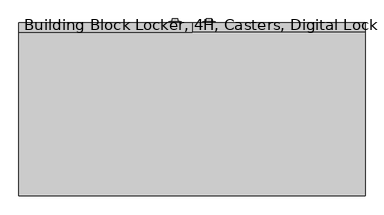
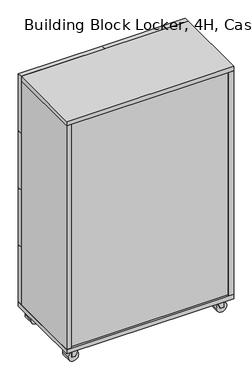
"""IFC4 building model written with IfcOpenShell, lengths in millimetres: furniture geometry, Building Block Locker, 4H, Casters, Digital Lock."""

from ifc_helpers import new_model, si_unit, point, frame, frame_2d, origin, place, context, project, spatial, polyline, circle_curve, trimmed, segment, composite_curve, outline, extrude, source, transform, mapped, element, save


def building_block_locker_4h_casters_digital_lock_39e5eb6d(model_context):
    return source(origin(), model_context, "Body", "SweptSolid", [
        extrude(outline(polyline([(497.1707735, 459.994), (497.1707735, 460.8078831), (506.5687735, 460.8078831), (506.5687735, 459.994), (497.1707735, 459.994)])), frame((0.0, 0.0, 358.2497206), z_axis=(0.0, 0.0, 1.0), x_axis=(1.0, 0.0, 0.0)), (0.0, 0.0, 1.0), 4.8387031),
        extrude(outline(polyline([(502.9882631, 459.994), (502.9882631, 460.8078831), (512.8942631, 460.8078831), (512.8942631, 459.994), (502.9882631, 459.994)])), frame((0.0, 0.0, 321.691), z_axis=(0.0, 0.0, 1.0), x_axis=(1.0, 0.0, 0.0)), (0.0, 0.0, 1.0), 7.874),
        extrude(outline(polyline([(502.9882631, 459.994), (502.9882631, 460.8078831), (512.8942631, 460.8078831), (512.8942631, 459.994), (502.9882631, 459.994)])), frame((0.0, 0.0, 310.261), z_axis=(0.0, 0.0, 1.0), x_axis=(1.0, 0.0, 0.0)), (0.0, 0.0, 1.0), 7.874),
        extrude(outline(polyline([(502.9882631, 459.994), (502.9882631, 460.8078831), (512.8942631, 460.8078831), (512.8942631, 459.994), (502.9882631, 459.994)])), frame((0.0, 0.0, 344.551), z_axis=(0.0, 0.0, 1.0), x_axis=(1.0, 0.0, 0.0)), (0.0, 0.0, 1.0), 7.874),
        extrude(outline(polyline([(502.9882631, 459.994), (502.9882631, 460.8078831), (512.8942631, 460.8078831), (512.8942631, 459.994), (502.9882631, 459.994)])), frame((0.0, 0.0, 333.121), z_axis=(0.0, 0.0, 1.0), x_axis=(1.0, 0.0, 0.0)), (0.0, 0.0, 1.0), 7.874),
        extrude(outline(polyline([(502.9882631, 459.994), (502.9882631, 460.8078831), (512.8942631, 460.8078831), (512.8942631, 459.994), (502.9882631, 459.994)])), frame((0.0, 0.0, 298.831), z_axis=(0.0, 0.0, 1.0), x_axis=(1.0, 0.0, 0.0)), (0.0, 0.0, 1.0), 7.874),
        extrude(outline(polyline([(502.9882631, 459.994), (502.9882631, 460.8078831), (512.8942631, 460.8078831), (512.8942631, 459.994), (502.9882631, 459.994)])), frame((0.0, 0.0, 287.401), z_axis=(0.0, 0.0, 1.0), x_axis=(1.0, 0.0, 0.0)), (0.0, 0.0, 1.0), 7.874),
        extrude(outline(polyline([(491.0353145, 459.994), (491.0353145, 460.8078831), (500.9413145, 460.8078831), (500.9413145, 459.994), (491.0353145, 459.994)])), frame((0.0, 0.0, 321.691), z_axis=(0.0, 0.0, 1.0), x_axis=(1.0, 0.0, 0.0)), (0.0, 0.0, 1.0), 7.874),
        extrude(outline(polyline([(491.0353145, 459.994), (491.0353145, 460.8078831), (500.9413145, 460.8078831), (500.9413145, 459.994), (491.0353145, 459.994)])), frame((0.0, 0.0, 310.261), z_axis=(0.0, 0.0, 1.0), x_axis=(1.0, 0.0, 0.0)), (0.0, 0.0, 1.0), 7.874),
        extrude(outline(polyline([(491.0353145, 459.994), (491.0353145, 460.8078831), (500.9413145, 460.8078831), (500.9413145, 459.994), (491.0353145, 459.994)])), frame((0.0, 0.0, 344.551), z_axis=(0.0, 0.0, 1.0), x_axis=(1.0, 0.0, 0.0)), (0.0, 0.0, 1.0), 7.874),
        extrude(outline(polyline([(491.0353145, 459.994), (491.0353145, 460.8078831), (500.9413145, 460.8078831), (500.9413145, 459.994), (491.0353145, 459.994)])), frame((0.0, 0.0, 333.121), z_axis=(0.0, 0.0, 1.0), x_axis=(1.0, 0.0, 0.0)), (0.0, 0.0, 1.0), 7.874),
        extrude(outline(polyline([(491.0353145, 459.994), (491.0353145, 460.8078831), (500.9413145, 460.8078831), (500.9413145, 459.994), (491.0353145, 459.994)])), frame((0.0, 0.0, 298.831), z_axis=(0.0, 0.0, 1.0), x_axis=(1.0, 0.0, 0.0)), (0.0, 0.0, 1.0), 7.874),
        extrude(outline(polyline([(491.0353145, 459.994), (491.0353145, 460.8078831), (500.9413145, 460.8078831), (500.9413145, 459.994), (491.0353145, 459.994)])), frame((0.0, 0.0, 287.401), z_axis=(0.0, 0.0, 1.0), x_axis=(1.0, 0.0, 0.0)), (0.0, 0.0, 1.0), 7.874),
        extrude(outline(composite_curve([segment(trimmed(circle_curve(frame_2d((394.1297407, 501.9647888)), 3.302), [point((394.1297407, 498.6627888))], [point((394.1297407, 505.2667888))], False, "CARTESIAN"), True, "CONTINUOUS"), segment(trimmed(circle_curve(frame_2d((394.1297407, 501.9647888)), 3.302), [point((394.1297407, 505.2667888))], [point((394.1297407, 498.6627888))], False, "CARTESIAN"), True, "CONTINUOUS")], self_intersect=False)), frame((0.0, 459.994, 0.0), z_axis=(0.0, 1.0, 0.0), x_axis=(0.0, 0.0, 1.0)), (0.0, 0.0, 1.0), 1.016),
        extrude(outline(polyline([(404.495, 494.7257888), (367.919, 494.7257888), (367.919, 509.2037888), (404.495, 509.2037888), (404.495, 494.7257888)]), holes=[polyline([(370.3640696, 497.1707735), (380.9994975, 497.1707735), (380.9994975, 506.5687735), (370.3640696, 506.5687735), (370.3640696, 497.1707735)])]), frame((0.0, 461.01, 0.0), z_axis=(0.0, 1.0, 0.0), x_axis=(0.0, 0.0, 1.0)), (0.0, 0.0, 1.0), 5.842),
        extrude(outline(polyline([(485.2007888, 457.2), (485.2007888, 459.994), (518.7287888, 459.994), (518.7287888, 457.2), (485.2007888, 457.2)])), frame((0.0, 0.0, 276.225), z_axis=(0.0, 0.0, 1.0), x_axis=(1.0, 0.0, 0.0)), (0.0, 0.0, 1.0), 134.62),
        extrude(outline(polyline([(407.8312265, 459.994), (407.8312265, 460.8078831), (417.2292265, 460.8078831), (417.2292265, 459.994), (407.8312265, 459.994)])), frame((0.0, 0.0, 358.2497206), z_axis=(0.0, 0.0, 1.0), x_axis=(1.0, 0.0, 0.0)), (0.0, 0.0, 1.0), 4.8387031),
        extrude(outline(polyline([(401.5057369, 459.994), (401.5057369, 460.8078831), (411.4117369, 460.8078831), (411.4117369, 459.994), (401.5057369, 459.994)])), frame((0.0, 0.0, 321.691), z_axis=(0.0, 0.0, 1.0), x_axis=(1.0, 0.0, 0.0)), (0.0, 0.0, 1.0), 7.874),
        extrude(outline(polyline([(401.5057369, 459.994), (401.5057369, 460.8078831), (411.4117369, 460.8078831), (411.4117369, 459.994), (401.5057369, 459.994)])), frame((0.0, 0.0, 310.261), z_axis=(0.0, 0.0, 1.0), x_axis=(1.0, 0.0, 0.0)), (0.0, 0.0, 1.0), 7.874),
        extrude(outline(polyline([(401.5057369, 459.994), (401.5057369, 460.8078831), (411.4117369, 460.8078831), (411.4117369, 459.994), (401.5057369, 459.994)])), frame((0.0, 0.0, 344.551), z_axis=(0.0, 0.0, 1.0), x_axis=(1.0, 0.0, 0.0)), (0.0, 0.0, 1.0), 7.874),
        extrude(outline(polyline([(401.5057369, 459.994), (401.5057369, 460.8078831), (411.4117369, 460.8078831), (411.4117369, 459.994), (401.5057369, 459.994)])), frame((0.0, 0.0, 333.121), z_axis=(0.0, 0.0, 1.0), x_axis=(1.0, 0.0, 0.0)), (0.0, 0.0, 1.0), 7.874),
        extrude(outline(polyline([(401.5057369, 459.994), (401.5057369, 460.8078831), (411.4117369, 460.8078831), (411.4117369, 459.994), (401.5057369, 459.994)])), frame((0.0, 0.0, 298.831), z_axis=(0.0, 0.0, 1.0), x_axis=(1.0, 0.0, 0.0)), (0.0, 0.0, 1.0), 7.874),
        extrude(outline(polyline([(401.5057369, 459.994), (401.5057369, 460.8078831), (411.4117369, 460.8078831), (411.4117369, 459.994), (401.5057369, 459.994)])), frame((0.0, 0.0, 287.401), z_axis=(0.0, 0.0, 1.0), x_axis=(1.0, 0.0, 0.0)), (0.0, 0.0, 1.0), 7.874),
        extrude(outline(polyline([(413.4586855, 459.994), (413.4586855, 460.8078831), (423.3646855, 460.8078831), (423.3646855, 459.994), (413.4586855, 459.994)])), frame((0.0, 0.0, 321.691), z_axis=(0.0, 0.0, 1.0), x_axis=(1.0, 0.0, 0.0)), (0.0, 0.0, 1.0), 7.874),
        extrude(outline(polyline([(413.4586855, 459.994), (413.4586855, 460.8078831), (423.3646855, 460.8078831), (423.3646855, 459.994), (413.4586855, 459.994)])), frame((0.0, 0.0, 310.261), z_axis=(0.0, 0.0, 1.0), x_axis=(1.0, 0.0, 0.0)), (0.0, 0.0, 1.0), 7.874),
        extrude(outline(polyline([(413.4586855, 459.994), (413.4586855, 460.8078831), (423.3646855, 460.8078831), (423.3646855, 459.994), (413.4586855, 459.994)])), frame((0.0, 0.0, 344.551), z_axis=(0.0, 0.0, 1.0), x_axis=(1.0, 0.0, 0.0)), (0.0, 0.0, 1.0), 7.874),
        extrude(outline(polyline([(413.4586855, 459.994), (413.4586855, 460.8078831), (423.3646855, 460.8078831), (423.3646855, 459.994), (413.4586855, 459.994)])), frame((0.0, 0.0, 333.121), z_axis=(0.0, 0.0, 1.0), x_axis=(1.0, 0.0, 0.0)), (0.0, 0.0, 1.0), 7.874),
        extrude(outline(polyline([(413.4586855, 459.994), (413.4586855, 460.8078831), (423.3646855, 460.8078831), (423.3646855, 459.994), (413.4586855, 459.994)])), frame((0.0, 0.0, 298.831), z_axis=(0.0, 0.0, 1.0), x_axis=(1.0, 0.0, 0.0)), (0.0, 0.0, 1.0), 7.874),
        extrude(outline(polyline([(413.4586855, 459.994), (413.4586855, 460.8078831), (423.3646855, 460.8078831), (423.3646855, 459.994), (413.4586855, 459.994)])), frame((0.0, 0.0, 287.401), z_axis=(0.0, 0.0, 1.0), x_axis=(1.0, 0.0, 0.0)), (0.0, 0.0, 1.0), 7.874),
        extrude(outline(composite_curve([segment(trimmed(circle_curve(frame_2d((394.1297407, 412.4352112)), 3.302), [point((394.1297407, 409.1332112))], [point((394.1297407, 415.7372112))], False, "CARTESIAN"), True, "CONTINUOUS"), segment(trimmed(circle_curve(frame_2d((394.1297407, 412.4352112)), 3.302), [point((394.1297407, 415.7372112))], [point((394.1297407, 409.1332112))], False, "CARTESIAN"), True, "CONTINUOUS")], self_intersect=False)), frame((0.0, 459.994, 0.0), z_axis=(0.0, 1.0, 0.0), x_axis=(0.0, 0.0, 1.0)), (0.0, 0.0, 1.0), 1.016),
        extrude(outline(polyline([(404.495, 419.6742112), (404.495, 405.1962112), (367.919, 405.1962112), (367.919, 419.6742112), (404.495, 419.6742112)]), holes=[polyline([(370.3640696, 417.2292265), (370.3640696, 407.8312265), (380.9994975, 407.8312265), (380.9994975, 417.2292265), (370.3640696, 417.2292265)])]), frame((0.0, 461.01, 0.0), z_axis=(0.0, 1.0, 0.0), x_axis=(0.0, 0.0, 1.0)), (0.0, 0.0, 1.0), 5.842),
        extrude(outline(polyline([(395.6712112, 457.2), (395.6712112, 459.994), (429.1992112, 459.994), (429.1992112, 457.2), (395.6712112, 457.2)])), frame((0.0, 0.0, 276.225), z_axis=(0.0, 0.0, 1.0), x_axis=(1.0, 0.0, 0.0)), (0.0, 0.0, 1.0), 134.62),
        extrude(outline(polyline([(497.1707735, 459.994), (497.1707735, 460.8078831), (506.5687735, 460.8078831), (506.5687735, 459.994), (497.1707735, 459.994)])), frame((0.0, 0.0, 688.4497206), z_axis=(0.0, 0.0, 1.0), x_axis=(1.0, 0.0, 0.0)), (0.0, 0.0, 1.0), 4.8387031),
        extrude(outline(polyline([(502.9882631, 459.994), (502.9882631, 460.8078831), (512.8942631, 460.8078831), (512.8942631, 459.994), (502.9882631, 459.994)])), frame((0.0, 0.0, 651.891), z_axis=(0.0, 0.0, 1.0), x_axis=(1.0, 0.0, 0.0)), (0.0, 0.0, 1.0), 7.874),
        extrude(outline(polyline([(502.9882631, 459.994), (502.9882631, 460.8078831), (512.8942631, 460.8078831), (512.8942631, 459.994), (502.9882631, 459.994)])), frame((0.0, 0.0, 640.461), z_axis=(0.0, 0.0, 1.0), x_axis=(1.0, 0.0, 0.0)), (0.0, 0.0, 1.0), 7.874),
        extrude(outline(polyline([(502.9882631, 459.994), (502.9882631, 460.8078831), (512.8942631, 460.8078831), (512.8942631, 459.994), (502.9882631, 459.994)])), frame((0.0, 0.0, 674.751), z_axis=(0.0, 0.0, 1.0), x_axis=(1.0, 0.0, 0.0)), (0.0, 0.0, 1.0), 7.874),
        extrude(outline(polyline([(502.9882631, 459.994), (502.9882631, 460.8078831), (512.8942631, 460.8078831), (512.8942631, 459.994), (502.9882631, 459.994)])), frame((0.0, 0.0, 663.321), z_axis=(0.0, 0.0, 1.0), x_axis=(1.0, 0.0, 0.0)), (0.0, 0.0, 1.0), 7.874),
        extrude(outline(polyline([(502.9882631, 459.994), (502.9882631, 460.8078831), (512.8942631, 460.8078831), (512.8942631, 459.994), (502.9882631, 459.994)])), frame((0.0, 0.0, 629.031), z_axis=(0.0, 0.0, 1.0), x_axis=(1.0, 0.0, 0.0)), (0.0, 0.0, 1.0), 7.874),
        extrude(outline(polyline([(502.9882631, 459.994), (502.9882631, 460.8078831), (512.8942631, 460.8078831), (512.8942631, 459.994), (502.9882631, 459.994)])), frame((0.0, 0.0, 617.601), z_axis=(0.0, 0.0, 1.0), x_axis=(1.0, 0.0, 0.0)), (0.0, 0.0, 1.0), 7.874),
        extrude(outline(polyline([(491.0353145, 459.994), (491.0353145, 460.8078831), (500.9413145, 460.8078831), (500.9413145, 459.994), (491.0353145, 459.994)])), frame((0.0, 0.0, 651.891), z_axis=(0.0, 0.0, 1.0), x_axis=(1.0, 0.0, 0.0)), (0.0, 0.0, 1.0), 7.874),
        extrude(outline(polyline([(491.0353145, 459.994), (491.0353145, 460.8078831), (500.9413145, 460.8078831), (500.9413145, 459.994), (491.0353145, 459.994)])), frame((0.0, 0.0, 640.461), z_axis=(0.0, 0.0, 1.0), x_axis=(1.0, 0.0, 0.0)), (0.0, 0.0, 1.0), 7.874),
        extrude(outline(polyline([(491.0353145, 459.994), (491.0353145, 460.8078831), (500.9413145, 460.8078831), (500.9413145, 459.994), (491.0353145, 459.994)])), frame((0.0, 0.0, 674.751), z_axis=(0.0, 0.0, 1.0), x_axis=(1.0, 0.0, 0.0)), (0.0, 0.0, 1.0), 7.874),
        extrude(outline(polyline([(491.0353145, 459.994), (491.0353145, 460.8078831), (500.9413145, 460.8078831), (500.9413145, 459.994), (491.0353145, 459.994)])), frame((0.0, 0.0, 663.321), z_axis=(0.0, 0.0, 1.0), x_axis=(1.0, 0.0, 0.0)), (0.0, 0.0, 1.0), 7.874),
        extrude(outline(polyline([(491.0353145, 459.994), (491.0353145, 460.8078831), (500.9413145, 460.8078831), (500.9413145, 459.994), (491.0353145, 459.994)])), frame((0.0, 0.0, 629.031), z_axis=(0.0, 0.0, 1.0), x_axis=(1.0, 0.0, 0.0)), (0.0, 0.0, 1.0), 7.874),
        extrude(outline(polyline([(491.0353145, 459.994), (491.0353145, 460.8078831), (500.9413145, 460.8078831), (500.9413145, 459.994), (491.0353145, 459.994)])), frame((0.0, 0.0, 617.601), z_axis=(0.0, 0.0, 1.0), x_axis=(1.0, 0.0, 0.0)), (0.0, 0.0, 1.0), 7.874),
        extrude(outline(composite_curve([segment(trimmed(circle_curve(frame_2d((724.3297407, 501.9647888)), 3.302), [point((724.3297407, 498.6627888))], [point((724.3297407, 505.2667888))], False, "CARTESIAN"), True, "CONTINUOUS"), segment(trimmed(circle_curve(frame_2d((724.3297407, 501.9647888)), 3.302), [point((724.3297407, 505.2667888))], [point((724.3297407, 498.6627888))], False, "CARTESIAN"), True, "CONTINUOUS")], self_intersect=False)), frame((0.0, 459.994, 0.0), z_axis=(0.0, 1.0, 0.0), x_axis=(0.0, 0.0, 1.0)), (0.0, 0.0, 1.0), 1.016),
        extrude(outline(polyline([(734.695, 494.7257888), (698.119, 494.7257888), (698.119, 509.2037888), (734.695, 509.2037888), (734.695, 494.7257888)]), holes=[polyline([(700.5640696, 497.1707735), (711.1994975, 497.1707735), (711.1994975, 506.5687735), (700.5640696, 506.5687735), (700.5640696, 497.1707735)])]), frame((0.0, 461.01, 0.0), z_axis=(0.0, 1.0, 0.0), x_axis=(0.0, 0.0, 1.0)), (0.0, 0.0, 1.0), 5.842),
        extrude(outline(polyline([(485.2007888, 457.2), (485.2007888, 459.994), (518.7287888, 459.994), (518.7287888, 457.2), (485.2007888, 457.2)])), frame((0.0, 0.0, 606.425), z_axis=(0.0, 0.0, 1.0), x_axis=(1.0, 0.0, 0.0)), (0.0, 0.0, 1.0), 134.62),
        extrude(outline(polyline([(407.8312265, 459.994), (407.8312265, 460.8078831), (417.2292265, 460.8078831), (417.2292265, 459.994), (407.8312265, 459.994)])), frame((0.0, 0.0, 688.4497206), z_axis=(0.0, 0.0, 1.0), x_axis=(1.0, 0.0, 0.0)), (0.0, 0.0, 1.0), 4.8387031),
        extrude(outline(polyline([(401.5057369, 459.994), (401.5057369, 460.8078831), (411.4117369, 460.8078831), (411.4117369, 459.994), (401.5057369, 459.994)])), frame((0.0, 0.0, 651.891), z_axis=(0.0, 0.0, 1.0), x_axis=(1.0, 0.0, 0.0)), (0.0, 0.0, 1.0), 7.874),
        extrude(outline(polyline([(401.5057369, 459.994), (401.5057369, 460.8078831), (411.4117369, 460.8078831), (411.4117369, 459.994), (401.5057369, 459.994)])), frame((0.0, 0.0, 640.461), z_axis=(0.0, 0.0, 1.0), x_axis=(1.0, 0.0, 0.0)), (0.0, 0.0, 1.0), 7.874),
        extrude(outline(polyline([(401.5057369, 459.994), (401.5057369, 460.8078831), (411.4117369, 460.8078831), (411.4117369, 459.994), (401.5057369, 459.994)])), frame((0.0, 0.0, 674.751), z_axis=(0.0, 0.0, 1.0), x_axis=(1.0, 0.0, 0.0)), (0.0, 0.0, 1.0), 7.874),
        extrude(outline(polyline([(401.5057369, 459.994), (401.5057369, 460.8078831), (411.4117369, 460.8078831), (411.4117369, 459.994), (401.5057369, 459.994)])), frame((0.0, 0.0, 663.321), z_axis=(0.0, 0.0, 1.0), x_axis=(1.0, 0.0, 0.0)), (0.0, 0.0, 1.0), 7.874),
        extrude(outline(polyline([(401.5057369, 459.994), (401.5057369, 460.8078831), (411.4117369, 460.8078831), (411.4117369, 459.994), (401.5057369, 459.994)])), frame((0.0, 0.0, 629.031), z_axis=(0.0, 0.0, 1.0), x_axis=(1.0, 0.0, 0.0)), (0.0, 0.0, 1.0), 7.874),
        extrude(outline(polyline([(401.5057369, 459.994), (401.5057369, 460.8078831), (411.4117369, 460.8078831), (411.4117369, 459.994), (401.5057369, 459.994)])), frame((0.0, 0.0, 617.601), z_axis=(0.0, 0.0, 1.0), x_axis=(1.0, 0.0, 0.0)), (0.0, 0.0, 1.0), 7.874),
        extrude(outline(polyline([(413.4586855, 459.994), (413.4586855, 460.8078831), (423.3646855, 460.8078831), (423.3646855, 459.994), (413.4586855, 459.994)])), frame((0.0, 0.0, 651.891), z_axis=(0.0, 0.0, 1.0), x_axis=(1.0, 0.0, 0.0)), (0.0, 0.0, 1.0), 7.874),
        extrude(outline(polyline([(413.4586855, 459.994), (413.4586855, 460.8078831), (423.3646855, 460.8078831), (423.3646855, 459.994), (413.4586855, 459.994)])), frame((0.0, 0.0, 640.461), z_axis=(0.0, 0.0, 1.0), x_axis=(1.0, 0.0, 0.0)), (0.0, 0.0, 1.0), 7.874),
        extrude(outline(polyline([(413.4586855, 459.994), (413.4586855, 460.8078831), (423.3646855, 460.8078831), (423.3646855, 459.994), (413.4586855, 459.994)])), frame((0.0, 0.0, 674.751), z_axis=(0.0, 0.0, 1.0), x_axis=(1.0, 0.0, 0.0)), (0.0, 0.0, 1.0), 7.874),
        extrude(outline(polyline([(413.4586855, 459.994), (413.4586855, 460.8078831), (423.3646855, 460.8078831), (423.3646855, 459.994), (413.4586855, 459.994)])), frame((0.0, 0.0, 663.321), z_axis=(0.0, 0.0, 1.0), x_axis=(1.0, 0.0, 0.0)), (0.0, 0.0, 1.0), 7.874),
        extrude(outline(polyline([(413.4586855, 459.994), (413.4586855, 460.8078831), (423.3646855, 460.8078831), (423.3646855, 459.994), (413.4586855, 459.994)])), frame((0.0, 0.0, 629.031), z_axis=(0.0, 0.0, 1.0), x_axis=(1.0, 0.0, 0.0)), (0.0, 0.0, 1.0), 7.874),
        extrude(outline(polyline([(413.4586855, 459.994), (413.4586855, 460.8078831), (423.3646855, 460.8078831), (423.3646855, 459.994), (413.4586855, 459.994)])), frame((0.0, 0.0, 617.601), z_axis=(0.0, 0.0, 1.0), x_axis=(1.0, 0.0, 0.0)), (0.0, 0.0, 1.0), 7.874),
        extrude(outline(composite_curve([segment(trimmed(circle_curve(frame_2d((724.3297407, 412.4352112)), 3.302), [point((724.3297407, 409.1332112))], [point((724.3297407, 415.7372112))], False, "CARTESIAN"), True, "CONTINUOUS"), segment(trimmed(circle_curve(frame_2d((724.3297407, 412.4352112)), 3.302), [point((724.3297407, 415.7372112))], [point((724.3297407, 409.1332112))], False, "CARTESIAN"), True, "CONTINUOUS")], self_intersect=False)), frame((0.0, 459.994, 0.0), z_axis=(0.0, 1.0, 0.0), x_axis=(0.0, 0.0, 1.0)), (0.0, 0.0, 1.0), 1.016),
        extrude(outline(polyline([(734.695, 419.6742112), (734.695, 405.1962112), (698.119, 405.1962112), (698.119, 419.6742112), (734.695, 419.6742112)]), holes=[polyline([(700.5640696, 417.2292265), (700.5640696, 407.8312265), (711.1994975, 407.8312265), (711.1994975, 417.2292265), (700.5640696, 417.2292265)])]), frame((0.0, 461.01, 0.0), z_axis=(0.0, 1.0, 0.0), x_axis=(0.0, 0.0, 1.0)), (0.0, 0.0, 1.0), 5.842),
        extrude(outline(polyline([(395.6712112, 457.2), (395.6712112, 459.994), (429.1992112, 459.994), (429.1992112, 457.2), (395.6712112, 457.2)])), frame((0.0, 0.0, 606.425), z_axis=(0.0, 0.0, 1.0), x_axis=(1.0, 0.0, 0.0)), (0.0, 0.0, 1.0), 134.62),
        extrude(outline(polyline([(497.1707735, 459.994), (497.1707735, 460.8078831), (506.5687735, 460.8078831), (506.5687735, 459.994), (497.1707735, 459.994)])), frame((0.0, 0.0, 1018.6497206), z_axis=(0.0, 0.0, 1.0), x_axis=(1.0, 0.0, 0.0)), (0.0, 0.0, 1.0), 4.8387031),
        extrude(outline(polyline([(502.9882631, 459.994), (502.9882631, 460.8078831), (512.8942631, 460.8078831), (512.8942631, 459.994), (502.9882631, 459.994)])), frame((0.0, 0.0, 982.091), z_axis=(0.0, 0.0, 1.0), x_axis=(1.0, 0.0, 0.0)), (0.0, 0.0, 1.0), 7.874),
        extrude(outline(polyline([(502.9882631, 459.994), (502.9882631, 460.8078831), (512.8942631, 460.8078831), (512.8942631, 459.994), (502.9882631, 459.994)])), frame((0.0, 0.0, 970.661), z_axis=(0.0, 0.0, 1.0), x_axis=(1.0, 0.0, 0.0)), (0.0, 0.0, 1.0), 7.874),
        extrude(outline(polyline([(502.9882631, 459.994), (502.9882631, 460.8078831), (512.8942631, 460.8078831), (512.8942631, 459.994), (502.9882631, 459.994)])), frame((0.0, 0.0, 1004.951), z_axis=(0.0, 0.0, 1.0), x_axis=(1.0, 0.0, 0.0)), (0.0, 0.0, 1.0), 7.874),
        extrude(outline(polyline([(502.9882631, 459.994), (502.9882631, 460.8078831), (512.8942631, 460.8078831), (512.8942631, 459.994), (502.9882631, 459.994)])), frame((0.0, 0.0, 993.521), z_axis=(0.0, 0.0, 1.0), x_axis=(1.0, 0.0, 0.0)), (0.0, 0.0, 1.0), 7.874),
        extrude(outline(polyline([(502.9882631, 459.994), (502.9882631, 460.8078831), (512.8942631, 460.8078831), (512.8942631, 459.994), (502.9882631, 459.994)])), frame((0.0, 0.0, 959.231), z_axis=(0.0, 0.0, 1.0), x_axis=(1.0, 0.0, 0.0)), (0.0, 0.0, 1.0), 7.874),
        extrude(outline(polyline([(502.9882631, 459.994), (502.9882631, 460.8078831), (512.8942631, 460.8078831), (512.8942631, 459.994), (502.9882631, 459.994)])), frame((0.0, 0.0, 947.801), z_axis=(0.0, 0.0, 1.0), x_axis=(1.0, 0.0, 0.0)), (0.0, 0.0, 1.0), 7.874),
        extrude(outline(polyline([(491.0353145, 459.994), (491.0353145, 460.8078831), (500.9413145, 460.8078831), (500.9413145, 459.994), (491.0353145, 459.994)])), frame((0.0, 0.0, 982.091), z_axis=(0.0, 0.0, 1.0), x_axis=(1.0, 0.0, 0.0)), (0.0, 0.0, 1.0), 7.874),
        extrude(outline(polyline([(491.0353145, 459.994), (491.0353145, 460.8078831), (500.9413145, 460.8078831), (500.9413145, 459.994), (491.0353145, 459.994)])), frame((0.0, 0.0, 970.661), z_axis=(0.0, 0.0, 1.0), x_axis=(1.0, 0.0, 0.0)), (0.0, 0.0, 1.0), 7.874),
        extrude(outline(polyline([(491.0353145, 459.994), (491.0353145, 460.8078831), (500.9413145, 460.8078831), (500.9413145, 459.994), (491.0353145, 459.994)])), frame((0.0, 0.0, 1004.951), z_axis=(0.0, 0.0, 1.0), x_axis=(1.0, 0.0, 0.0)), (0.0, 0.0, 1.0), 7.874),
        extrude(outline(polyline([(491.0353145, 459.994), (491.0353145, 460.8078831), (500.9413145, 460.8078831), (500.9413145, 459.994), (491.0353145, 459.994)])), frame((0.0, 0.0, 993.521), z_axis=(0.0, 0.0, 1.0), x_axis=(1.0, 0.0, 0.0)), (0.0, 0.0, 1.0), 7.874),
        extrude(outline(polyline([(491.0353145, 459.994), (491.0353145, 460.8078831), (500.9413145, 460.8078831), (500.9413145, 459.994), (491.0353145, 459.994)])), frame((0.0, 0.0, 959.231), z_axis=(0.0, 0.0, 1.0), x_axis=(1.0, 0.0, 0.0)), (0.0, 0.0, 1.0), 7.874),
        extrude(outline(polyline([(491.0353145, 459.994), (491.0353145, 460.8078831), (500.9413145, 460.8078831), (500.9413145, 459.994), (491.0353145, 459.994)])), frame((0.0, 0.0, 947.801), z_axis=(0.0, 0.0, 1.0), x_axis=(1.0, 0.0, 0.0)), (0.0, 0.0, 1.0), 7.874),
        extrude(outline(composite_curve([segment(trimmed(circle_curve(frame_2d((1054.5297407, 501.9647888)), 3.302), [point((1054.5297407, 498.6627888))], [point((1054.5297407, 505.2667888))], False, "CARTESIAN"), True, "CONTINUOUS"), segment(trimmed(circle_curve(frame_2d((1054.5297407, 501.9647888)), 3.302), [point((1054.5297407, 505.2667888))], [point((1054.5297407, 498.6627888))], False, "CARTESIAN"), True, "CONTINUOUS")], self_intersect=False)), frame((0.0, 459.994, 0.0), z_axis=(0.0, 1.0, 0.0), x_axis=(0.0, 0.0, 1.0)), (0.0, 0.0, 1.0), 1.016),
        extrude(outline(polyline([(1064.895, 494.7257888), (1028.319, 494.7257888), (1028.319, 509.2037888), (1064.895, 509.2037888), (1064.895, 494.7257888)]), holes=[polyline([(1030.7640696, 497.1707735), (1041.3994975, 497.1707735), (1041.3994975, 506.5687735), (1030.7640696, 506.5687735), (1030.7640696, 497.1707735)])]), frame((0.0, 461.01, 0.0), z_axis=(0.0, 1.0, 0.0), x_axis=(0.0, 0.0, 1.0)), (0.0, 0.0, 1.0), 5.842),
        extrude(outline(polyline([(485.2007888, 457.2), (485.2007888, 459.994), (518.7287888, 459.994), (518.7287888, 457.2), (485.2007888, 457.2)])), frame((0.0, 0.0, 936.625), z_axis=(0.0, 0.0, 1.0), x_axis=(1.0, 0.0, 0.0)), (0.0, 0.0, 1.0), 134.62),
        extrude(outline(polyline([(407.8312265, 459.994), (407.8312265, 460.8078831), (417.2292265, 460.8078831), (417.2292265, 459.994), (407.8312265, 459.994)])), frame((0.0, 0.0, 1018.6497206), z_axis=(0.0, 0.0, 1.0), x_axis=(1.0, 0.0, 0.0)), (0.0, 0.0, 1.0), 4.8387031),
        extrude(outline(polyline([(401.5057369, 459.994), (401.5057369, 460.8078831), (411.4117369, 460.8078831), (411.4117369, 459.994), (401.5057369, 459.994)])), frame((0.0, 0.0, 982.091), z_axis=(0.0, 0.0, 1.0), x_axis=(1.0, 0.0, 0.0)), (0.0, 0.0, 1.0), 7.874),
        extrude(outline(polyline([(401.5057369, 459.994), (401.5057369, 460.8078831), (411.4117369, 460.8078831), (411.4117369, 459.994), (401.5057369, 459.994)])), frame((0.0, 0.0, 970.661), z_axis=(0.0, 0.0, 1.0), x_axis=(1.0, 0.0, 0.0)), (0.0, 0.0, 1.0), 7.874),
        extrude(outline(polyline([(401.5057369, 459.994), (401.5057369, 460.8078831), (411.4117369, 460.8078831), (411.4117369, 459.994), (401.5057369, 459.994)])), frame((0.0, 0.0, 1004.951), z_axis=(0.0, 0.0, 1.0), x_axis=(1.0, 0.0, 0.0)), (0.0, 0.0, 1.0), 7.874),
        extrude(outline(polyline([(401.5057369, 459.994), (401.5057369, 460.8078831), (411.4117369, 460.8078831), (411.4117369, 459.994), (401.5057369, 459.994)])), frame((0.0, 0.0, 993.521), z_axis=(0.0, 0.0, 1.0), x_axis=(1.0, 0.0, 0.0)), (0.0, 0.0, 1.0), 7.874),
        extrude(outline(polyline([(401.5057369, 459.994), (401.5057369, 460.8078831), (411.4117369, 460.8078831), (411.4117369, 459.994), (401.5057369, 459.994)])), frame((0.0, 0.0, 959.231), z_axis=(0.0, 0.0, 1.0), x_axis=(1.0, 0.0, 0.0)), (0.0, 0.0, 1.0), 7.874),
        extrude(outline(polyline([(401.5057369, 459.994), (401.5057369, 460.8078831), (411.4117369, 460.8078831), (411.4117369, 459.994), (401.5057369, 459.994)])), frame((0.0, 0.0, 947.801), z_axis=(0.0, 0.0, 1.0), x_axis=(1.0, 0.0, 0.0)), (0.0, 0.0, 1.0), 7.874),
        extrude(outline(polyline([(413.4586855, 459.994), (413.4586855, 460.8078831), (423.3646855, 460.8078831), (423.3646855, 459.994), (413.4586855, 459.994)])), frame((0.0, 0.0, 982.091), z_axis=(0.0, 0.0, 1.0), x_axis=(1.0, 0.0, 0.0)), (0.0, 0.0, 1.0), 7.874),
        extrude(outline(polyline([(413.4586855, 459.994), (413.4586855, 460.8078831), (423.3646855, 460.8078831), (423.3646855, 459.994), (413.4586855, 459.994)])), frame((0.0, 0.0, 970.661), z_axis=(0.0, 0.0, 1.0), x_axis=(1.0, 0.0, 0.0)), (0.0, 0.0, 1.0), 7.874),
        extrude(outline(polyline([(413.4586855, 459.994), (413.4586855, 460.8078831), (423.3646855, 460.8078831), (423.3646855, 459.994), (413.4586855, 459.994)])), frame((0.0, 0.0, 1004.951), z_axis=(0.0, 0.0, 1.0), x_axis=(1.0, 0.0, 0.0)), (0.0, 0.0, 1.0), 7.874),
        extrude(outline(polyline([(413.4586855, 459.994), (413.4586855, 460.8078831), (423.3646855, 460.8078831), (423.3646855, 459.994), (413.4586855, 459.994)])), frame((0.0, 0.0, 993.521), z_axis=(0.0, 0.0, 1.0), x_axis=(1.0, 0.0, 0.0)), (0.0, 0.0, 1.0), 7.874),
        extrude(outline(polyline([(413.4586855, 459.994), (413.4586855, 460.8078831), (423.3646855, 460.8078831), (423.3646855, 459.994), (413.4586855, 459.994)])), frame((0.0, 0.0, 959.231), z_axis=(0.0, 0.0, 1.0), x_axis=(1.0, 0.0, 0.0)), (0.0, 0.0, 1.0), 7.874),
        extrude(outline(polyline([(413.4586855, 459.994), (413.4586855, 460.8078831), (423.3646855, 460.8078831), (423.3646855, 459.994), (413.4586855, 459.994)])), frame((0.0, 0.0, 947.801), z_axis=(0.0, 0.0, 1.0), x_axis=(1.0, 0.0, 0.0)), (0.0, 0.0, 1.0), 7.874),
        extrude(outline(composite_curve([segment(trimmed(circle_curve(frame_2d((1054.5297407, 412.4352112)), 3.302), [point((1054.5297407, 409.1332112))], [point((1054.5297407, 415.7372112))], False, "CARTESIAN"), True, "CONTINUOUS"), segment(trimmed(circle_curve(frame_2d((1054.5297407, 412.4352112)), 3.302), [point((1054.5297407, 415.7372112))], [point((1054.5297407, 409.1332112))], False, "CARTESIAN"), True, "CONTINUOUS")], self_intersect=False)), frame((0.0, 459.994, 0.0), z_axis=(0.0, 1.0, 0.0), x_axis=(0.0, 0.0, 1.0)), (0.0, 0.0, 1.0), 1.016),
        extrude(outline(polyline([(1064.895, 419.6742112), (1064.895, 405.1962112), (1028.319, 405.1962112), (1028.319, 419.6742112), (1064.895, 419.6742112)]), holes=[polyline([(1030.7640696, 417.2292265), (1030.7640696, 407.8312265), (1041.3994975, 407.8312265), (1041.3994975, 417.2292265), (1030.7640696, 417.2292265)])]), frame((0.0, 461.01, 0.0), z_axis=(0.0, 1.0, 0.0), x_axis=(0.0, 0.0, 1.0)), (0.0, 0.0, 1.0), 5.842),
        extrude(outline(polyline([(395.6712112, 457.2), (395.6712112, 459.994), (429.1992112, 459.994), (429.1992112, 457.2), (395.6712112, 457.2)])), frame((0.0, 0.0, 936.625), z_axis=(0.0, 0.0, 1.0), x_axis=(1.0, 0.0, 0.0)), (0.0, 0.0, 1.0), 134.62),
        extrude(outline(polyline([(497.1707735, 459.994), (497.1707735, 460.8078831), (506.5687735, 460.8078831), (506.5687735, 459.994), (497.1707735, 459.994)])), frame((0.0, 0.0, 1348.8497206), z_axis=(0.0, 0.0, 1.0), x_axis=(1.0, 0.0, 0.0)), (0.0, 0.0, 1.0), 4.8387031),
        extrude(outline(polyline([(502.9882631, 459.994), (502.9882631, 460.8078831), (512.8942631, 460.8078831), (512.8942631, 459.994), (502.9882631, 459.994)])), frame((0.0, 0.0, 1312.291), z_axis=(0.0, 0.0, 1.0), x_axis=(1.0, 0.0, 0.0)), (0.0, 0.0, 1.0), 7.874),
        extrude(outline(polyline([(502.9882631, 459.994), (502.9882631, 460.8078831), (512.8942631, 460.8078831), (512.8942631, 459.994), (502.9882631, 459.994)])), frame((0.0, 0.0, 1300.861), z_axis=(0.0, 0.0, 1.0), x_axis=(1.0, 0.0, 0.0)), (0.0, 0.0, 1.0), 7.874),
        extrude(outline(polyline([(502.9882631, 459.994), (502.9882631, 460.8078831), (512.8942631, 460.8078831), (512.8942631, 459.994), (502.9882631, 459.994)])), frame((0.0, 0.0, 1335.151), z_axis=(0.0, 0.0, 1.0), x_axis=(1.0, 0.0, 0.0)), (0.0, 0.0, 1.0), 7.874),
        extrude(outline(polyline([(502.9882631, 459.994), (502.9882631, 460.8078831), (512.8942631, 460.8078831), (512.8942631, 459.994), (502.9882631, 459.994)])), frame((0.0, 0.0, 1323.721), z_axis=(0.0, 0.0, 1.0), x_axis=(1.0, 0.0, 0.0)), (0.0, 0.0, 1.0), 7.874),
        extrude(outline(polyline([(502.9882631, 459.994), (502.9882631, 460.8078831), (512.8942631, 460.8078831), (512.8942631, 459.994), (502.9882631, 459.994)])), frame((0.0, 0.0, 1289.431), z_axis=(0.0, 0.0, 1.0), x_axis=(1.0, 0.0, 0.0)), (0.0, 0.0, 1.0), 7.874),
        extrude(outline(polyline([(502.9882631, 459.994), (502.9882631, 460.8078831), (512.8942631, 460.8078831), (512.8942631, 459.994), (502.9882631, 459.994)])), frame((0.0, 0.0, 1278.001), z_axis=(0.0, 0.0, 1.0), x_axis=(1.0, 0.0, 0.0)), (0.0, 0.0, 1.0), 7.874),
        extrude(outline(polyline([(491.0353145, 459.994), (491.0353145, 460.8078831), (500.9413145, 460.8078831), (500.9413145, 459.994), (491.0353145, 459.994)])), frame((0.0, 0.0, 1312.291), z_axis=(0.0, 0.0, 1.0), x_axis=(1.0, 0.0, 0.0)), (0.0, 0.0, 1.0), 7.874),
        extrude(outline(polyline([(491.0353145, 459.994), (491.0353145, 460.8078831), (500.9413145, 460.8078831), (500.9413145, 459.994), (491.0353145, 459.994)])), frame((0.0, 0.0, 1300.861), z_axis=(0.0, 0.0, 1.0), x_axis=(1.0, 0.0, 0.0)), (0.0, 0.0, 1.0), 7.874),
        extrude(outline(polyline([(491.0353145, 459.994), (491.0353145, 460.8078831), (500.9413145, 460.8078831), (500.9413145, 459.994), (491.0353145, 459.994)])), frame((0.0, 0.0, 1335.151), z_axis=(0.0, 0.0, 1.0), x_axis=(1.0, 0.0, 0.0)), (0.0, 0.0, 1.0), 7.874),
        extrude(outline(polyline([(491.0353145, 459.994), (491.0353145, 460.8078831), (500.9413145, 460.8078831), (500.9413145, 459.994), (491.0353145, 459.994)])), frame((0.0, 0.0, 1323.721), z_axis=(0.0, 0.0, 1.0), x_axis=(1.0, 0.0, 0.0)), (0.0, 0.0, 1.0), 7.874),
        extrude(outline(polyline([(491.0353145, 459.994), (491.0353145, 460.8078831), (500.9413145, 460.8078831), (500.9413145, 459.994), (491.0353145, 459.994)])), frame((0.0, 0.0, 1289.431), z_axis=(0.0, 0.0, 1.0), x_axis=(1.0, 0.0, 0.0)), (0.0, 0.0, 1.0), 7.874),
        extrude(outline(polyline([(491.0353145, 459.994), (491.0353145, 460.8078831), (500.9413145, 460.8078831), (500.9413145, 459.994), (491.0353145, 459.994)])), frame((0.0, 0.0, 1278.001), z_axis=(0.0, 0.0, 1.0), x_axis=(1.0, 0.0, 0.0)), (0.0, 0.0, 1.0), 7.874),
        extrude(outline(composite_curve([segment(trimmed(circle_curve(frame_2d((1384.7297407, 501.9647888)), 3.302), [point((1384.7297407, 498.6627888))], [point((1384.7297407, 505.2667888))], False, "CARTESIAN"), True, "CONTINUOUS"), segment(trimmed(circle_curve(frame_2d((1384.7297407, 501.9647888)), 3.302), [point((1384.7297407, 505.2667888))], [point((1384.7297407, 498.6627888))], False, "CARTESIAN"), True, "CONTINUOUS")], self_intersect=False)), frame((0.0, 459.994, 0.0), z_axis=(0.0, 1.0, 0.0), x_axis=(0.0, 0.0, 1.0)), (0.0, 0.0, 1.0), 1.016),
        extrude(outline(polyline([(1395.095, 494.7257888), (1358.519, 494.7257888), (1358.519, 509.2037888), (1395.095, 509.2037888), (1395.095, 494.7257888)]), holes=[polyline([(1360.9640696, 497.1707735), (1371.5994975, 497.1707735), (1371.5994975, 506.5687735), (1360.9640696, 506.5687735), (1360.9640696, 497.1707735)])]), frame((0.0, 461.01, 0.0), z_axis=(0.0, 1.0, 0.0), x_axis=(0.0, 0.0, 1.0)), (0.0, 0.0, 1.0), 5.842),
        extrude(outline(polyline([(485.2007888, 457.2), (485.2007888, 459.994), (518.7287888, 459.994), (518.7287888, 457.2), (485.2007888, 457.2)])), frame((0.0, 0.0, 1266.825), z_axis=(0.0, 0.0, 1.0), x_axis=(1.0, 0.0, 0.0)), (0.0, 0.0, 1.0), 134.62),
        extrude(outline(polyline([(407.8312265, 459.994), (407.8312265, 460.8078831), (417.2292265, 460.8078831), (417.2292265, 459.994), (407.8312265, 459.994)])), frame((0.0, 0.0, 1348.8497206), z_axis=(0.0, 0.0, 1.0), x_axis=(1.0, 0.0, 0.0)), (0.0, 0.0, 1.0), 4.8387031),
        extrude(outline(polyline([(401.5057369, 459.994), (401.5057369, 460.8078831), (411.4117369, 460.8078831), (411.4117369, 459.994), (401.5057369, 459.994)])), frame((0.0, 0.0, 1312.291), z_axis=(0.0, 0.0, 1.0), x_axis=(1.0, 0.0, 0.0)), (0.0, 0.0, 1.0), 7.874),
        extrude(outline(polyline([(401.5057369, 459.994), (401.5057369, 460.8078831), (411.4117369, 460.8078831), (411.4117369, 459.994), (401.5057369, 459.994)])), frame((0.0, 0.0, 1300.861), z_axis=(0.0, 0.0, 1.0), x_axis=(1.0, 0.0, 0.0)), (0.0, 0.0, 1.0), 7.874),
        extrude(outline(polyline([(401.5057369, 459.994), (401.5057369, 460.8078831), (411.4117369, 460.8078831), (411.4117369, 459.994), (401.5057369, 459.994)])), frame((0.0, 0.0, 1335.151), z_axis=(0.0, 0.0, 1.0), x_axis=(1.0, 0.0, 0.0)), (0.0, 0.0, 1.0), 7.874),
        extrude(outline(polyline([(401.5057369, 459.994), (401.5057369, 460.8078831), (411.4117369, 460.8078831), (411.4117369, 459.994), (401.5057369, 459.994)])), frame((0.0, 0.0, 1323.721), z_axis=(0.0, 0.0, 1.0), x_axis=(1.0, 0.0, 0.0)), (0.0, 0.0, 1.0), 7.874),
        extrude(outline(polyline([(401.5057369, 459.994), (401.5057369, 460.8078831), (411.4117369, 460.8078831), (411.4117369, 459.994), (401.5057369, 459.994)])), frame((0.0, 0.0, 1289.431), z_axis=(0.0, 0.0, 1.0), x_axis=(1.0, 0.0, 0.0)), (0.0, 0.0, 1.0), 7.874),
        extrude(outline(polyline([(401.5057369, 459.994), (401.5057369, 460.8078831), (411.4117369, 460.8078831), (411.4117369, 459.994), (401.5057369, 459.994)])), frame((0.0, 0.0, 1278.001), z_axis=(0.0, 0.0, 1.0), x_axis=(1.0, 0.0, 0.0)), (0.0, 0.0, 1.0), 7.874),
        extrude(outline(polyline([(413.4586855, 459.994), (413.4586855, 460.8078831), (423.3646855, 460.8078831), (423.3646855, 459.994), (413.4586855, 459.994)])), frame((0.0, 0.0, 1312.291), z_axis=(0.0, 0.0, 1.0), x_axis=(1.0, 0.0, 0.0)), (0.0, 0.0, 1.0), 7.874),
        extrude(outline(polyline([(413.4586855, 459.994), (413.4586855, 460.8078831), (423.3646855, 460.8078831), (423.3646855, 459.994), (413.4586855, 459.994)])), frame((0.0, 0.0, 1300.861), z_axis=(0.0, 0.0, 1.0), x_axis=(1.0, 0.0, 0.0)), (0.0, 0.0, 1.0), 7.874),
        extrude(outline(polyline([(413.4586855, 459.994), (413.4586855, 460.8078831), (423.3646855, 460.8078831), (423.3646855, 459.994), (413.4586855, 459.994)])), frame((0.0, 0.0, 1335.151), z_axis=(0.0, 0.0, 1.0), x_axis=(1.0, 0.0, 0.0)), (0.0, 0.0, 1.0), 7.874),
        extrude(outline(polyline([(413.4586855, 459.994), (413.4586855, 460.8078831), (423.3646855, 460.8078831), (423.3646855, 459.994), (413.4586855, 459.994)])), frame((0.0, 0.0, 1323.721), z_axis=(0.0, 0.0, 1.0), x_axis=(1.0, 0.0, 0.0)), (0.0, 0.0, 1.0), 7.874),
        extrude(outline(polyline([(413.4586855, 459.994), (413.4586855, 460.8078831), (423.3646855, 460.8078831), (423.3646855, 459.994), (413.4586855, 459.994)])), frame((0.0, 0.0, 1289.431), z_axis=(0.0, 0.0, 1.0), x_axis=(1.0, 0.0, 0.0)), (0.0, 0.0, 1.0), 7.874),
        extrude(outline(polyline([(413.4586855, 459.994), (413.4586855, 460.8078831), (423.3646855, 460.8078831), (423.3646855, 459.994), (413.4586855, 459.994)])), frame((0.0, 0.0, 1278.001), z_axis=(0.0, 0.0, 1.0), x_axis=(1.0, 0.0, 0.0)), (0.0, 0.0, 1.0), 7.874),
        extrude(outline(composite_curve([segment(trimmed(circle_curve(frame_2d((1384.7297407, 412.4352112)), 3.302), [point((1384.7297407, 409.1332112))], [point((1384.7297407, 415.7372112))], False, "CARTESIAN"), True, "CONTINUOUS"), segment(trimmed(circle_curve(frame_2d((1384.7297407, 412.4352112)), 3.302), [point((1384.7297407, 415.7372112))], [point((1384.7297407, 409.1332112))], False, "CARTESIAN"), True, "CONTINUOUS")], self_intersect=False)), frame((0.0, 459.994, 0.0), z_axis=(0.0, 1.0, 0.0), x_axis=(0.0, 0.0, 1.0)), (0.0, 0.0, 1.0), 1.016),
        extrude(outline(polyline([(1395.095, 419.6742112), (1395.095, 405.1962112), (1358.519, 405.1962112), (1358.519, 419.6742112), (1395.095, 419.6742112)]), holes=[polyline([(1360.9640696, 417.2292265), (1360.9640696, 407.8312265), (1371.5994975, 407.8312265), (1371.5994975, 417.2292265), (1360.9640696, 417.2292265)])]), frame((0.0, 461.01, 0.0), z_axis=(0.0, 1.0, 0.0), x_axis=(0.0, 0.0, 1.0)), (0.0, 0.0, 1.0), 5.842),
        extrude(outline(polyline([(395.6712112, 457.2), (395.6712112, 459.994), (429.1992112, 459.994), (429.1992112, 457.2), (395.6712112, 457.2)])), frame((0.0, 0.0, 1266.825), z_axis=(0.0, 0.0, 1.0), x_axis=(1.0, 0.0, 0.0)), (0.0, 0.0, 1.0), 134.62),
        extrude(outline(polyline([(457.2, 457.2), (457.2, 431.8), (0.0, 431.8), (0.0, 457.2), (457.2, 457.2)])), frame((0.0, 0.0, 1089.025), z_axis=(0.0, 0.0, 1.0), x_axis=(1.0, 0.0, 0.0)), (0.0, 0.0, 1.0), 330.2),
        extrude(outline(polyline([(914.4, 431.8), (914.4, 0.0), (0.0, 0.0), (0.0, 431.8), (914.4, 431.8)])), frame((0.0, 0.0, 1393.825), z_axis=(0.0, 0.0, 1.0), x_axis=(1.0, 0.0, 0.0)), (0.0, 0.0, 1.0), 25.4),
        extrude(outline(polyline([(914.4, 457.2), (914.4, 431.8), (457.2, 431.8), (457.2, 457.2), (914.4, 457.2)])), frame((0.0, 0.0, 98.425), z_axis=(0.0, 0.0, 1.0), x_axis=(1.0, 0.0, 0.0)), (0.0, 0.0, 1.0), 330.2),
        extrude(outline(polyline([(457.2, 457.2), (457.2, 431.8), (0.0, 431.8), (0.0, 457.2), (457.2, 457.2)])), frame((0.0, 0.0, 98.425), z_axis=(0.0, 0.0, 1.0), x_axis=(1.0, 0.0, 0.0)), (0.0, 0.0, 1.0), 330.2),
        extrude(outline(polyline([(914.4, 457.2), (914.4, 431.8), (457.2, 431.8), (457.2, 457.2), (914.4, 457.2)])), frame((0.0, 0.0, 428.625), z_axis=(0.0, 0.0, 1.0), x_axis=(1.0, 0.0, 0.0)), (0.0, 0.0, 1.0), 330.2),
        extrude(outline(polyline([(457.2, 457.2), (457.2, 431.8), (0.0, 431.8), (0.0, 457.2), (457.2, 457.2)])), frame((0.0, 0.0, 428.625), z_axis=(0.0, 0.0, 1.0), x_axis=(1.0, 0.0, 0.0)), (0.0, 0.0, 1.0), 330.2),
        extrude(outline(polyline([(914.4, 457.2), (914.4, 431.8), (457.2, 431.8), (457.2, 457.2), (914.4, 457.2)])), frame((0.0, 0.0, 758.825), z_axis=(0.0, 0.0, 1.0), x_axis=(1.0, 0.0, 0.0)), (0.0, 0.0, 1.0), 330.2),
        extrude(outline(polyline([(457.2, 457.2), (457.2, 431.8), (0.0, 431.8), (0.0, 457.2), (457.2, 457.2)])), frame((0.0, 0.0, 758.825), z_axis=(0.0, 0.0, 1.0), x_axis=(1.0, 0.0, 0.0)), (0.0, 0.0, 1.0), 330.2),
        extrude(outline(polyline([(914.4, 457.2), (914.4, 431.8), (457.2, 431.8), (457.2, 457.2), (914.4, 457.2)])), frame((0.0, 0.0, 1089.025), z_axis=(0.0, 0.0, 1.0), x_axis=(1.0, 0.0, 0.0)), (0.0, 0.0, 1.0), 330.2),
        extrude(outline(polyline([(889.0, 12.7), (889.0, 9.7487804), (25.4, 9.7487804), (25.4, 12.7), (889.0, 12.7)])), frame((0.0, 0.0, 98.425), z_axis=(0.0, 0.0, 1.0), x_axis=(1.0, 0.0, 0.0)), (0.0, 0.0, 1.0), 1295.4),
        extrude(outline(polyline([(889.0, 0.0), (889.0, 431.8), (914.4, 431.8), (914.4, 0.0), (889.0, 0.0)])), frame((0.0, 0.0, 98.425), z_axis=(0.0, 0.0, 1.0), x_axis=(1.0, 0.0, 0.0)), (0.0, 0.0, 1.0), 1295.4),
        extrude(outline(polyline([(25.4, 431.8), (25.4, 0.0), (0.0, 0.0), (0.0, 431.8), (25.4, 431.8)])), frame((0.0, 0.0, 98.425), z_axis=(0.0, 0.0, 1.0), x_axis=(1.0, 0.0, 0.0)), (0.0, 0.0, 1.0), 1295.4),
        extrude(outline(polyline([(914.4, 457.2), (914.4, 0.0), (0.0, 0.0), (0.0, 457.2), (914.4, 457.2)])), frame((0.0, 0.0, 73.025), z_axis=(0.0, 0.0, 1.0), x_axis=(1.0, 0.0, 0.0)), (0.0, 0.0, 1.0), 25.4),
        extrude(outline(composite_curve([segment(trimmed(circle_curve(frame_2d((28.5450835, 863.6)), 28.5450835), [point((28.5450835, 892.1450835))], [point((28.5450835, 835.0549165))], False, "CARTESIAN"), True, "CONTINUOUS"), segment(trimmed(circle_curve(frame_2d((28.5450835, 863.6)), 28.5450835), [point((28.5450835, 835.0549165))], [point((28.5450835, 892.1450835))], False, "CARTESIAN"), True, "CONTINUOUS")], self_intersect=False)), frame((0.0, 379.9362915, 0.0), z_axis=(0.0, 1.0, 0.0), x_axis=(0.0, 0.0, 1.0)), (0.0, 0.0, 1.0), 53.0422756),
        extrude(outline(polyline([(73.025, 832.6896756), (24.60625, 854.6518893), (24.60625, 874.0068204), (73.025, 874.0068204), (73.025, 832.6896756)])), frame((0.0, 378.2531597, 0.0), z_axis=(0.0, 1.0, 0.0), x_axis=(0.0, 0.0, 1.0)), (0.0, 0.0, 1.0), 56.3912026),
        extrude(outline(composite_curve([segment(trimmed(circle_curve(frame_2d((28.5450835, 50.8)), 28.5450835), [point((28.5450835, 22.2549165))], [point((28.5450835, 79.3450835))], False, "CARTESIAN"), True, "CONTINUOUS"), segment(trimmed(circle_curve(frame_2d((28.5450835, 50.8)), 28.5450835), [point((28.5450835, 79.3450835))], [point((28.5450835, 22.2549165))], False, "CARTESIAN"), True, "CONTINUOUS")], self_intersect=False)), frame((0.0, 379.9362915, 0.0), z_axis=(0.0, 1.0, 0.0), x_axis=(0.0, 0.0, 1.0)), (0.0, 0.0, 1.0), 53.0422756),
        extrude(outline(polyline([(73.025, 81.7103244), (73.025, 40.3931796), (24.60625, 40.3931796), (24.60625, 59.7481107), (73.025, 81.7103244)])), frame((0.0, 378.2531597, 0.0), z_axis=(0.0, 1.0, 0.0), x_axis=(0.0, 0.0, 1.0)), (0.0, 0.0, 1.0), 56.3912026),
        extrude(outline(composite_curve([segment(trimmed(circle_curve(frame_2d((28.5450835, 863.6)), 28.5450835), [point((28.5450835, 892.1450835))], [point((28.5450835, 835.0549165))], False, "CARTESIAN"), True, "CONTINUOUS"), segment(trimmed(circle_curve(frame_2d((28.5450835, 863.6)), 28.5450835), [point((28.5450835, 835.0549165))], [point((28.5450835, 892.1450835))], False, "CARTESIAN"), True, "CONTINUOUS")], self_intersect=False)), frame((0.0, 24.2214329, 0.0), z_axis=(0.0, 1.0, 0.0), x_axis=(0.0, 0.0, 1.0)), (0.0, 0.0, 1.0), 53.0422756),
        extrude(outline(polyline([(73.025, 832.6896756), (24.60625, 854.6518893), (24.60625, 874.0068204), (73.025, 874.0068204), (73.025, 832.6896756)])), frame((0.0, 22.5556377, 0.0), z_axis=(0.0, 1.0, 0.0), x_axis=(0.0, 0.0, 1.0)), (0.0, 0.0, 1.0), 56.3912026),
        extrude(outline(composite_curve([segment(trimmed(circle_curve(frame_2d((28.5450835, 50.8)), 28.5450835), [point((28.5450835, 22.2549165))], [point((28.5450835, 79.3450835))], False, "CARTESIAN"), True, "CONTINUOUS"), segment(trimmed(circle_curve(frame_2d((28.5450835, 50.8)), 28.5450835), [point((28.5450835, 79.3450835))], [point((28.5450835, 22.2549165))], False, "CARTESIAN"), True, "CONTINUOUS")], self_intersect=False)), frame((0.0, 24.2214329, 0.0), z_axis=(0.0, 1.0, 0.0), x_axis=(0.0, 0.0, 1.0)), (0.0, 0.0, 1.0), 53.0422756),
        extrude(outline(polyline([(73.025, 81.7103244), (73.025, 40.3931796), (24.60625, 40.3931796), (24.60625, 59.7481107), (73.025, 81.7103244)])), frame((0.0, 22.5556377, 0.0), z_axis=(0.0, 1.0, 0.0), x_axis=(0.0, 0.0, 1.0)), (0.0, 0.0, 1.0), 56.3912026),
        extrude(outline(composite_curve([segment(trimmed(circle_curve(frame_2d((850.9, 406.4)), 15.9254799), [point((866.8254799, 406.4))], [point((834.9745201, 406.4))], False, "CARTESIAN"), True, "CONTINUOUS"), segment(trimmed(circle_curve(frame_2d((850.9, 406.4)), 15.9254799), [point((834.9745201, 406.4))], [point((866.8254799, 406.4))], False, "CARTESIAN"), True, "CONTINUOUS")], self_intersect=False)), frame((0.0, 0.0, 67.2703125), z_axis=(0.0, 0.0, 1.0), x_axis=(1.0, 0.0, 0.0)), (0.0, 0.0, 1.0), 0.9921875),
        extrude(outline(composite_curve([segment(trimmed(circle_curve(frame_2d((850.9, 406.4)), 10.16), [point((861.06, 406.4))], [point((840.74, 406.4))], False, "CARTESIAN"), True, "CONTINUOUS"), segment(trimmed(circle_curve(frame_2d((850.9, 406.4)), 10.16), [point((840.74, 406.4))], [point((861.06, 406.4))], False, "CARTESIAN"), True, "CONTINUOUS")], self_intersect=False)), frame((0.0, 0.0, 68.2625), z_axis=(0.0, 0.0, 1.0), x_axis=(1.0, 0.0, 0.0)), (0.0, 0.0, 1.0), 4.7625),
        extrude(outline(composite_curve([segment(trimmed(circle_curve(frame_2d((850.9, 50.8)), 15.9254799), [point((866.8254799, 50.8))], [point((834.9745201, 50.8))], False, "CARTESIAN"), True, "CONTINUOUS"), segment(trimmed(circle_curve(frame_2d((850.9, 50.8)), 15.9254799), [point((834.9745201, 50.8))], [point((866.8254799, 50.8))], False, "CARTESIAN"), True, "CONTINUOUS")], self_intersect=False)), frame((0.0, 0.0, 67.2703125), z_axis=(0.0, 0.0, 1.0), x_axis=(1.0, 0.0, 0.0)), (0.0, 0.0, 1.0), 0.9921875),
        extrude(outline(composite_curve([segment(trimmed(circle_curve(frame_2d((850.9, 50.8)), 10.16), [point((861.06, 50.8))], [point((840.74, 50.8))], False, "CARTESIAN"), True, "CONTINUOUS"), segment(trimmed(circle_curve(frame_2d((850.9, 50.8)), 10.16), [point((840.74, 50.8))], [point((861.06, 50.8))], False, "CARTESIAN"), True, "CONTINUOUS")], self_intersect=False)), frame((0.0, 0.0, 68.2625), z_axis=(0.0, 0.0, 1.0), x_axis=(1.0, 0.0, 0.0)), (0.0, 0.0, 1.0), 4.7625),
        extrude(outline(composite_curve([segment(trimmed(circle_curve(frame_2d((63.5, 406.4)), 15.9254799), [point((47.5745201, 406.4))], [point((79.4254799, 406.4))], False, "CARTESIAN"), True, "CONTINUOUS"), segment(trimmed(circle_curve(frame_2d((63.5, 406.4)), 15.9254799), [point((79.4254799, 406.4))], [point((47.5745201, 406.4))], False, "CARTESIAN"), True, "CONTINUOUS")], self_intersect=False)), frame((0.0, 0.0, 67.2703125), z_axis=(0.0, 0.0, 1.0), x_axis=(1.0, 0.0, 0.0)), (0.0, 0.0, 1.0), 0.9921875),
        extrude(outline(composite_curve([segment(trimmed(circle_curve(frame_2d((63.5, 406.4)), 10.16), [point((53.34, 406.4))], [point((73.66, 406.4))], False, "CARTESIAN"), True, "CONTINUOUS"), segment(trimmed(circle_curve(frame_2d((63.5, 406.4)), 10.16), [point((73.66, 406.4))], [point((53.34, 406.4))], False, "CARTESIAN"), True, "CONTINUOUS")], self_intersect=False)), frame((0.0, 0.0, 68.2625), z_axis=(0.0, 0.0, 1.0), x_axis=(1.0, 0.0, 0.0)), (0.0, 0.0, 1.0), 4.7625),
        extrude(outline(composite_curve([segment(trimmed(circle_curve(frame_2d((63.5, 50.8)), 15.9254799), [point((47.5745201, 50.8))], [point((79.4254799, 50.8))], False, "CARTESIAN"), True, "CONTINUOUS"), segment(trimmed(circle_curve(frame_2d((63.5, 50.8)), 15.9254799), [point((79.4254799, 50.8))], [point((47.5745201, 50.8))], False, "CARTESIAN"), True, "CONTINUOUS")], self_intersect=False)), frame((0.0, 0.0, 67.2703125), z_axis=(0.0, 0.0, 1.0), x_axis=(1.0, 0.0, 0.0)), (0.0, 0.0, 1.0), 0.9921875),
        extrude(outline(composite_curve([segment(trimmed(circle_curve(frame_2d((63.5, 50.8)), 10.16), [point((53.34, 50.8))], [point((73.66, 50.8))], False, "CARTESIAN"), True, "CONTINUOUS"), segment(trimmed(circle_curve(frame_2d((63.5, 50.8)), 10.16), [point((73.66, 50.8))], [point((53.34, 50.8))], False, "CARTESIAN"), True, "CONTINUOUS")], self_intersect=False)), frame((0.0, 0.0, 68.2625), z_axis=(0.0, 0.0, 1.0), x_axis=(1.0, 0.0, 0.0)), (0.0, 0.0, 1.0), 4.7625),
    ])


if __name__ == "__main__":
    model = new_model("IFC4")
    model_context = context("Model", 3, world=origin())
    ifc_project = project(units=[si_unit("LENGTHUNIT", "METRE", prefix="MILLI")], contexts=[model_context])
    site = spatial("IfcSite", under=ifc_project)
    building = spatial("IfcBuilding", under=site)
    placement = place(None, origin())
    building_block_locker_4h_casters_digital_lock_shape = building_block_locker_4h_casters_digital_lock_39e5eb6d(model_context)
    element("IfcFurniture", 1, ObjectType="Building Block Locker, 4H, Casters, Digital Lock", at=placement, inside=building, context=model_context, shape_type="MappedRepresentation", body=[
        mapped(building_block_locker_4h_casters_digital_lock_shape, transform((0.0, 0.0, 0.0), x_axis=(1.0, 0.0, 0.0), y_axis=(0.0, 1.0, 0.0), z_axis=(0.0, 0.0, 1.0))),
    ])
    save(model, "model.ifc")
